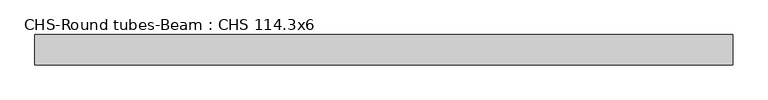
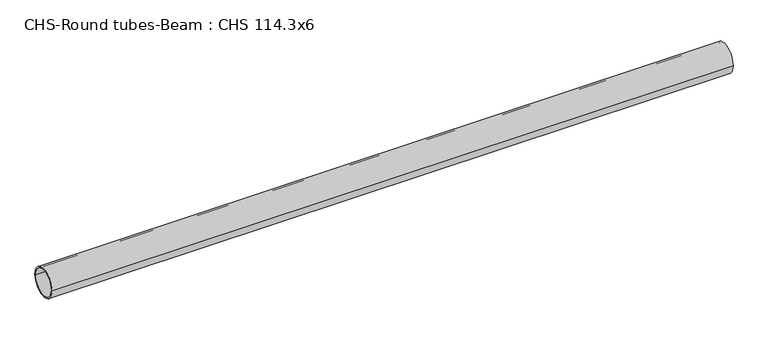
"""IFC4 building model written with IfcOpenShell, lengths in millimetres: beam geometry, CHS-Round tubes-Beam : CHS 114.3x6."""

import ifcopenshell
import ifcopenshell.guid

model = None  # the IFC model being written
_history = None  # IfcOwnerHistory: only IFC2X3 demands one
_inside = {}  # id of a spatial element -> (the spatial element, [elements in it])
_under = {}  # id of a project, library or spatial element -> (it, [spatial elements below it])
_declared = {}  # id of a project -> (the project, [libraries it declares])
_typed = {}  # id of a type object -> (the type object, [elements of that type])
_made_of = {}  # id of a material, layer set ... -> (it, [elements and type objects made of it])


def new_model(schema):
    """Start an empty IFC model of exactly this schema.

    Asked for "IFC4X3", IfcOpenShell would pick the latest addendum, in which some entities
    have other attributes; the version numbers below select the first issue.
    IFC2X3 requires an IfcOwnerHistory on every rooted entity: one is made here for all.
    """
    global model, _history
    if schema == "IFC4X3":
        model = ifcopenshell.file(schema_version=(4, 3, 0, 0))
    else:
        model = ifcopenshell.file(schema=schema)
    _inside.clear()
    _under.clear()
    _declared.clear()
    _typed.clear()
    _made_of.clear()
    _history = None
    if model.schema == "IFC2X3":
        org = make("IfcOrganization", Name="unknown")
        user = make(
            "IfcPersonAndOrganization",
            ThePerson=make("IfcPerson", FamilyName="unknown"),
            TheOrganization=org,
        )
        app = make(
            "IfcApplication",
            ApplicationDeveloper=org,
            Version="unknown",
            ApplicationFullName="unknown",
            ApplicationIdentifier="unknown",
        )
        _history = make(
            "IfcOwnerHistory",
            OwningUser=user,
            OwningApplication=app,
            ChangeAction="ADDED",
            CreationDate=0,
        )
    return model


def make(cls, **values):
    """One entity of the class cls with the attributes given. An attribute that is None is left unset."""
    return model.create_entity(
        cls, **{name: value for name, value in values.items() if value is not None}
    )


def rooted(cls, **values):
    """An entity with a GlobalId (a new one), such as an element, a storey or a relation."""
    return make(cls, GlobalId=ifcopenshell.guid.new(), OwnerHistory=_history, **values)


def si_unit(unit_type, name, prefix=None):
    """IfcSIUnit, for example si_unit("LENGTHUNIT", "METRE", prefix="MILLI")."""
    return make("IfcSIUnit", UnitType=unit_type, Prefix=prefix, Name=name)


def assignment(units):
    """IfcUnitAssignment: the units of a project."""
    return None if units is None else make("IfcUnitAssignment", Units=units)


def point(xyz):
    """IfcCartesianPoint."""
    return None if xyz is None else make("IfcCartesianPoint", Coordinates=xyz)


def direction(xyz):
    """IfcDirection."""
    return None if xyz is None else make("IfcDirection", DirectionRatios=xyz)


def frame(location, z_axis=None, x_axis=None):
    """IfcAxis2Placement3D, a coordinate frame: its origin and axes. An axis left out is left unset."""
    return make(
        "IfcAxis2Placement3D",
        Location=point(location),
        Axis=direction(z_axis),
        RefDirection=direction(x_axis),
    )


def frame_2d(location, x_axis=None):
    """IfcAxis2Placement2D, a coordinate frame in the plane: its origin and x axis."""
    return make(
        "IfcAxis2Placement2D", Location=point(location), RefDirection=direction(x_axis)
    )


def origin():
    """The frame at (0, 0, 0) with its axes left unset."""
    return frame((0.0, 0.0, 0.0))


def origin_2d():
    """The frame at (0, 0) in the plane with its x axis left unset."""
    return frame_2d((0.0, 0.0))


def place(relative_to, where):
    """IfcLocalPlacement: puts the frame where relative to a parent placement (None: the world)."""
    return make(
        "IfcLocalPlacement", PlacementRelTo=relative_to, RelativePlacement=where
    )


def context(
    kind, dimensions, precision=None, world=None, true_north=None, identifier=None
):
    """IfcGeometricRepresentationContext, for example the 3D "Model" context."""
    return make(
        "IfcGeometricRepresentationContext",
        ContextIdentifier=identifier,
        ContextType=kind,
        CoordinateSpaceDimension=dimensions,
        Precision=precision,
        WorldCoordinateSystem=world,
        TrueNorth=true_north,
    )


def project(units=None, contexts=None):
    """IfcProject with its units and contexts."""
    return rooted(
        "IfcProject",
        Name="project",
        RepresentationContexts=contexts,
        UnitsInContext=assignment(units),
    )


def spatial(cls, under=None, at=None, **own):
    """A site, building, storey or space (cls), placed at a placement, below another one or the project."""
    s = rooted(cls, ObjectPlacement=at, **own)
    if under is not None:
        _under.setdefault(under.id(), (under, []))[1].append(s)
    return s


def circle_curve(where, radius):
    """IfcCircle in the frame where."""
    return make("IfcCircle", Position=where, Radius=radius)


def trimmed(basis, trim1, trim2, sense, master):
    """IfcTrimmedCurve: the piece of a basis curve between two trims."""
    return make(
        "IfcTrimmedCurve",
        BasisCurve=basis,
        Trim1=trim1,
        Trim2=trim2,
        SenseAgreement=sense,
        MasterRepresentation=master,
    )


def segment(curve, same_sense, transition):
    """IfcCompositeCurveSegment."""
    return make(
        "IfcCompositeCurveSegment",
        Transition=transition,
        SameSense=same_sense,
        ParentCurve=curve,
    )


def composite_curve(segments, self_intersect=None):
    """IfcCompositeCurve: segments joined end to end."""
    return make("IfcCompositeCurve", Segments=segments, SelfIntersect=self_intersect)


def outline(outer, holes=None, kind="AREA"):
    """IfcArbitraryClosedProfileDef: a profile drawn as a closed curve; with holes, ...WithVoids."""
    if holes is None:
        return make("IfcArbitraryClosedProfileDef", ProfileType=kind, OuterCurve=outer)
    return make(
        "IfcArbitraryProfileDefWithVoids",
        ProfileType=kind,
        OuterCurve=outer,
        InnerCurves=holes,
    )


def extrude(swept, where, along, depth):
    """IfcExtrudedAreaSolid: the profile swept, set in the frame where, extruded along a direction by depth."""
    return make(
        "IfcExtrudedAreaSolid",
        SweptArea=swept,
        Position=where,
        ExtrudedDirection=direction(along),
        Depth=depth,
    )


def shape(context_of_items, identifier, shape_type, items):
    """IfcShapeRepresentation: the items that make up one representation, for example the "Body"."""
    return make(
        "IfcShapeRepresentation",
        ContextOfItems=context_of_items,
        RepresentationIdentifier=identifier,
        RepresentationType=shape_type,
        Items=items,
    )


def source(mapping_origin, context_of_items, identifier, shape_type, items):
    """IfcRepresentationMap: a shape defined once, which mapped items show again and again."""
    return make(
        "IfcRepresentationMap",
        MappingOrigin=mapping_origin,
        MappedRepresentation=shape(context_of_items, identifier, shape_type, items),
    )


def transform(
    local_origin,
    x_axis=None,
    y_axis=None,
    z_axis=None,
    scale=None,
    scale2=None,
    scale3=None,
    uniform=True,
):
    """IfcCartesianTransformationOperator3D, or its non-uniform kind. x_axis, y_axis, z_axis: its Axis1, 2, 3."""
    if uniform:
        return make(
            "IfcCartesianTransformationOperator3D",
            Axis1=direction(x_axis),
            Axis2=direction(y_axis),
            LocalOrigin=point(local_origin),
            Scale=scale,
            Axis3=direction(z_axis),
        )
    return make(
        "IfcCartesianTransformationOperator3DnonUniform",
        Axis1=direction(x_axis),
        Axis2=direction(y_axis),
        LocalOrigin=point(local_origin),
        Scale=scale,
        Axis3=direction(z_axis),
        Scale2=scale2,
        Scale3=scale3,
    )


def mapped(mapping_source, mapping_target):
    """IfcMappedItem: shows the shape of a source again, moved by a transform."""
    return make(
        "IfcMappedItem", MappingSource=mapping_source, MappingTarget=mapping_target
    )


def made_of(thing, what):
    """Note that an element or type object is made of a material, layer set ...; save() writes the relation."""
    if what is not None:
        _made_of.setdefault(what.id(), (what, []))[1].append(thing)
    return thing


def element(
    cls,
    number,
    at=None,
    inside=None,
    cuts=None,
    type_object=None,
    material=None,
    context=None,
    identifier="Body",
    shape_type=None,
    held_by="IfcProductDefinitionShape",
    body=None,
    shapes=None,
    **own,
):
    """One element of the class cls, such as IfcWall. Its Tag is "e" and its number.

    at: its placement. inside: the storey or other place that contains it. cuts: it is an
    opening in that element (IfcRelVoidsElement). A single representation is given by context,
    identifier, shape_type and body (its items); several are given by shapes. held_by: the class
    of the entity that holds the representations. save() writes the other relations.
    """
    e = rooted(cls, Tag="e%d" % number, ObjectPlacement=at, **own)
    if body is not None:
        shapes = [shape(context, identifier, shape_type, body)]
    if shapes is not None:
        e.Representation = make(held_by, Representations=shapes)
    if inside is not None:
        _inside.setdefault(inside.id(), (inside, []))[1].append(e)
    if cuts is not None:
        rooted(
            "IfcRelVoidsElement", RelatingBuildingElement=cuts, RelatedOpeningElement=e
        )
    if type_object is not None:
        _typed.setdefault(type_object.id(), (type_object, []))[1].append(e)
    return made_of(e, material)


def aggregate(whole, parts):
    """IfcRelAggregates: a whole, such as a stair, and the parts it consists of."""
    return rooted("IfcRelAggregates", RelatingObject=whole, RelatedObjects=parts)


def save(model, path):
    """Write the relations noted so far, then the file.

    IfcRelAggregates (storeys below a building ...), IfcRelContainedInSpatialStructure (elements
    in a storey), IfcRelDefinesByType, IfcRelAssociatesMaterial and IfcRelDeclares: one each for
    every whole, place, type object, material and project.
    """
    for whole, parts in _under.values():
        aggregate(whole, parts)
    for where, things in _inside.values():
        rooted(
            "IfcRelContainedInSpatialStructure",
            RelatedElements=things,
            RelatingStructure=where,
        )
    for kind, things in _typed.values():
        rooted("IfcRelDefinesByType", RelatedObjects=things, RelatingType=kind)
    for what, things in _made_of.values():
        rooted("IfcRelAssociatesMaterial", RelatedObjects=things, RelatingMaterial=what)
    for by, libraries in _declared.values():
        rooted("IfcRelDeclares", RelatingContext=by, RelatedDefinitions=libraries)
    model.write(path)


def chs_round_tubes_beam_chs_114_3x6_589fcea1(model_context):
    return source(origin(), model_context, "Body", "SweptSolid", [
        extrude(outline(composite_curve([segment(trimmed(circle_curve(origin_2d(), 57.15), [point((57.15, 0.0))], [point((-57.15, 0.0))], False, "CARTESIAN"), True, "CONTINUOUS"), segment(trimmed(circle_curve(origin_2d(), 57.15), [point((-57.15, 0.0))], [point((57.15, 0.0))], False, "CARTESIAN"), True, "CONTINUOUS")], self_intersect=False), holes=[composite_curve([segment(trimmed(circle_curve(origin_2d(), 51.15), [point((51.15, 0.0))], [point((-51.15, 0.0))], True, "CARTESIAN"), True, "CONTINUOUS"), segment(trimmed(circle_curve(origin_2d(), 51.15), [point((-51.15, 0.0))], [point((51.15, 0.0))], True, "CARTESIAN"), True, "CONTINUOUS")], self_intersect=False)]), frame((-1306.4872323, 0.0, 0.0), z_axis=(1.0, 0.0, 0.0), x_axis=(0.0, 1.0, 0.0)), (0.0, 0.0, 1.0), 2630.6432513),
    ])


if __name__ == "__main__":
    model = new_model("IFC4")
    model_context = context("Model", 3, world=origin())
    ifc_project = project(units=[si_unit("LENGTHUNIT", "METRE", prefix="MILLI")], contexts=[model_context])
    site = spatial("IfcSite", under=ifc_project)
    building = spatial("IfcBuilding", under=site)
    placement = place(None, origin())
    chs_round_tubes_beam_chs_114_3x6_shape = chs_round_tubes_beam_chs_114_3x6_589fcea1(model_context)
    element("IfcBeam", 1, ObjectType="CHS-Round tubes-Beam : CHS 114.3x6", at=placement, inside=building, context=model_context, shape_type="MappedRepresentation", body=[
        mapped(chs_round_tubes_beam_chs_114_3x6_shape, transform((0.0, 0.0, 0.0), x_axis=(1.0, 0.0, 0.0), y_axis=(0.0, 1.0, 0.0), z_axis=(0.0, 0.0, 1.0))),
    ])
    save(model, "model.ifc")
